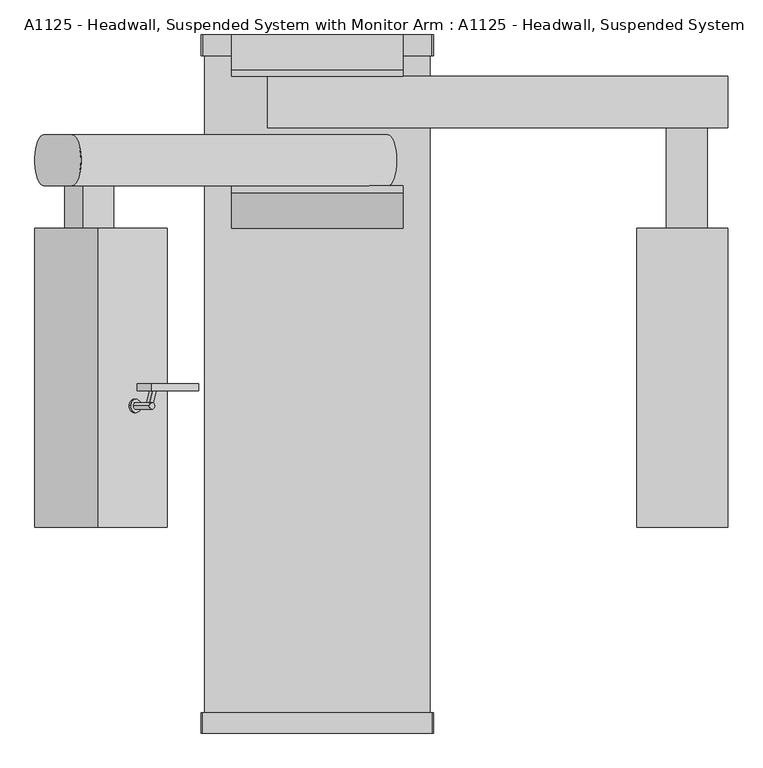
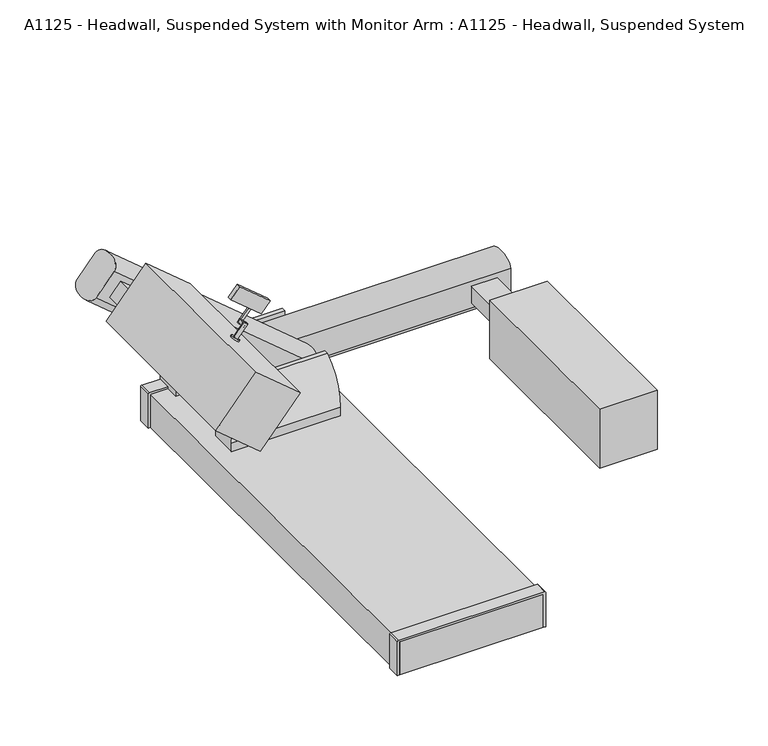
"""IFC4 building model written with IfcOpenShell, lengths in millimetres: proxy geometry, A1125 - Headwall, Suspended System with Monitor Arm : A1125 - Headwall, Suspended System."""

from ifc_helpers import new_model, si_unit, point, frame, frame_2d, origin, origin_with_axes, place, context, project, spatial, polyline, circle_curve, ellipse_curve, trimmed, segment, composite_curve, outline, extrude, source, transform, mapped, element, save
from ifc_brep_helpers import plane_surface, extruded_surface, advanced_brep


def a1125_headwall_suspended_system_with_monitor_arm_a1125_4194afd1(model_context):
    return source(origin(), model_context, "Body", "SolidModel", [
        extrude(outline(polyline([(9.1045184, 0.0), (9.1045184, -231.4296029), (-16.5694699, -231.4296029), (-16.5694699, 0.0), (9.1045184, 0.0)])), frame((-492.6293438, 1278.8304121, 1480.6095941), z_axis=(0.6427876096865366, 0.0, 0.7660444431189803), x_axis=(0.0, -1.0, 0.0)), (0.0, 0.0, 1.0), 80.9134555),
        extrude(outline(composite_curve([segment(trimmed(circle_curve(frame_2d((0.0, -9.5250001)), 9.525), [point((-1e-07, -19.0500001))], [point((0.0, 0.0))], False, "CARTESIAN"), True, "CONTINUOUS"), segment(trimmed(circle_curve(frame_2d((0.0, -9.5250001)), 9.525), [point((0.0, 0.0))], [point((-1e-07, -19.0500001))], False, "CARTESIAN"), True, "CONTINUOUS")], self_intersect=False)), frame((-607.6341552, 1290.0167462, 1450.6158796), z_axis=(0.6427876096865366, 0.0, 0.7660444431189803), x_axis=(0.3945420552795363, -0.8571673007021126, -0.3310600930689978)), (0.0, 0.0, 1.0), 96.9001862),
        extrude(outline(composite_curve([segment(trimmed(circle_curve(frame_2d((0.0, -12.7)), 12.7), [point((0.0, -25.3999999))], [point((0.0, 0.0))], False, "CARTESIAN"), True, "CONTINUOUS"), segment(trimmed(circle_curve(frame_2d((0.0, -12.7)), 12.7), [point((0.0, 0.0))], [point((0.0, -25.3999999))], False, "CARTESIAN"), True, "CONTINUOUS")], self_intersect=False)), frame((-669.5196221, 1213.8549168, 1415.8838672), z_axis=(0.6427876096865367, 0.0, 0.7660444431189803), x_axis=(0.0, -1.0, 0.0)), (0.0, 0.0, 1.0), 101.1354665),
        extrude(outline(composite_curve([segment(trimmed(circle_curve(frame_2d((0.0, -25.4)), 25.4), [point((0.0, -50.7999999))], [point((0.0, 0.0))], False, "CARTESIAN"), True, "CONTINUOUS"), segment(trimmed(circle_curve(frame_2d((0.0, -25.4)), 25.4), [point((0.0, 0.0))], [point((0.0, -50.7999999))], False, "CARTESIAN"), True, "CONTINUOUS")], self_intersect=False)), frame((-660.3989054, 1213.8549168, 1408.2306772), z_axis=(0.6427876096865366, 0.0, 0.7660444431189805), x_axis=(0.0, -1.0, 0.0)), (0.0, 0.0, 1.0), 8.8591428),
        extrude(outline(composite_curve([segment(trimmed(circle_curve(frame_2d((-126.6897163, -17.7746623)), 17.7746623), [point((-126.6897163, -1e-07))], [point((-108.9357996, -16.9161405))], False, "CARTESIAN"), True, "CONTINUOUS"), segment(polyline([(-108.9357996, -16.9161405), (-181.5848758, -16.9161405)]), True, "CONTINUOUS"), segment(trimmed(circle_curve(frame_2d((-181.5848758, 0.8585218)), 17.7746623), [point((-181.5848758, -16.9161405))], [point((-199.3387926, 0.0))], False, "CARTESIAN"), True, "CONTINUOUS"), segment(polyline([(-199.3387926, 0.0), (-126.6897163, -1e-07)]), True, "CONTINUOUS")], self_intersect=False)), frame((-590.7139291, 1400.929278, 1447.0046627), z_axis=(0.6427876096865367, 0.0, 0.7660444431189802), x_axis=(0.23672075137027723, 0.9510565162951489, -0.19863229516678957)), (0.0, 0.0, 1.0), 17.3134589),
        extrude(outline(polyline([(1524.0, 763.5875), (1187.45, 763.5875), (1187.45, 1873.25), (1524.0, 1873.25), (1524.0, 763.5875)])), frame((0.0, 0.0, 247.65), z_axis=(0.0, 0.0, 1.0), x_axis=(1.0, 0.0, 0.0)), (0.0, 0.0, 1.0), 361.95),
        extrude(outline(polyline([(0.0, -336.55), (0.0, 0.0), (1109.6625, 0.0), (1109.6625, -336.55), (0.0, -336.55)])), frame((-1048.8050561, 763.5875, 1261.6499666), z_axis=(0.6427876096865364, 0.0, 0.7660444431189806), x_axis=(0.0, 1.0, 0.0)), (0.0, 0.0, 1.0), 361.95),
        extrude(outline(polyline([(0.0, -152.4), (0.0, 0.0), (157.1625, 0.0), (157.1625, -152.4), (0.0, -152.4)])), frame((-937.3703524, 1873.25, 1275.9065195), z_axis=(0.6427876096865347, 0.0, 0.7660444431189819), x_axis=(0.0, 1.0, 0.0)), (0.0, 0.0, 1.0), 101.6),
        extrude(outline(polyline([(1447.8, 1873.25), (1295.4, 1873.25), (1295.4, 2246.3125), (1447.8, 2246.3125), (1447.8, 1873.25)])), frame((0.0, 0.0, 330.2), z_axis=(0.0, 0.0, 1.0), x_axis=(1.0, 0.0, 0.0)), (0.0, 0.0, 1.0), 101.6),
        advanced_brep(
        [(155.1063605, 2220.9125, 317.7630312), (261.2305949, 2220.9125, 444.2369688), (261.2305949, 2030.4125, 444.2369688), (155.1063605, 2030.4125, 317.7630312), (-1016.1514455, 2220.9125, 1300.5650243), (-1016.1514455, 2030.4125, 1300.5650243), (-910.0272112, 2030.4125, 1427.0389618), (-910.0272112, 2220.9125, 1427.0389618)],
        [
            (0, 1),
            (1, 2, ellipse_curve(frame((261.2305949, 2125.6625, 444.2369688), z_axis=(0.7660444431189891, 0.0, -0.6427876096865263), x_axis=(0.0, -1.0, 0.0)), 95.25, 50.8)),
            (2, 3),
            (3, 0, ellipse_curve(frame((155.1063605, 2125.6625, 317.7630312), z_axis=(0.7660444431189759, 0.0, -0.642787609686542), x_axis=(0.0, -1.0, 0.0)), 95.25, 50.8)),
            (4, 5, ellipse_curve(frame((-1016.1514455, 2125.6625, 1300.5650243), z_axis=(-0.7660444431189759, 0.0, 0.642787609686542), x_axis=(0.0, -1.0, 0.0)), 95.25, 50.8)),
            (5, 6),
            (6, 7, ellipse_curve(frame((-910.0272112, 2125.6625, 1427.0389618), z_axis=(-0.7660444431189891, 0.0, 0.6427876096865263), x_axis=(0.0, -1.0, 0.0)), 95.25, 50.8)),
            (7, 4),
            (0, 4),
            (7, 1),
            (6, 2),
            (5, 3),
        ],
        [
            plane_surface(frame((126.5344513, 2220.9125, 283.7123557), z_axis=(0.7660444431189759, 0.0, -0.642787609686542), x_axis=(0.642787609686542, 0.0, 0.7660444431189759))),
            plane_surface(frame((-1044.7233548, 2220.9125, 1266.5143488), z_axis=(-0.7660444431189759, 0.0, 0.642787609686542), x_axis=(-0.642787609686542, 0.0, -0.7660444431189759))),
            plane_surface(frame((155.1063605, 2220.9125, 317.7630312), z_axis=(0.0, 1.0000000000000002, 0.0), x_axis=(-0.7660444431189759, 0.0, 0.642787609686542))),
            extruded_surface(trimmed(ellipse_curve(frame((-2081.2850172, 2125.6625, 2409.8409549), z_axis=(0.7660444431189891, 0.0, -0.6427876096865263), x_axis=(0.0, -1.0, 0.0)), 95.25, 50.8), [point((-2081.2850172, 2220.9125, 2409.8409549))], [point((-2081.2850172, 2030.4125, 2409.8409549))], True, "CARTESIAN"), (1171.2578059999998, 0.0, -982.8019930999999), 1528.9684776859415),
            plane_surface(frame((261.2305949, 2030.4125, 444.2369688), z_axis=(0.0, -1.0000000000000002, 0.0), x_axis=(-0.7660444431189759, 0.0, 0.642787609686542))),
            extruded_surface(trimmed(ellipse_curve(frame((-2187.4092516, 2125.6625, 2283.3670173), z_axis=(0.7660444431189759, 0.0, -0.642787609686542), x_axis=(0.0, -1.0, 0.0)), 95.25, 50.8), [point((-2187.4092516, 2030.4125, 2283.3670173))], [point((-2187.4092516, 2220.9125, 2283.3670173))], True, "CARTESIAN"), (1171.2578061, 0.0, -982.801993), 1528.9684776982674),
        ],
        [
            (0, [[1, 2, 3, 4]]),
            (1, [[5, 6, 7, 8]]),
            (2, [[-1, 9, -8, 10]]),
            (3, [[-2, -10, -7, 11]]),
            (4, [[-3, -11, -6, 12]]),
            (5, [[-4, -12, -5, -9]]),
        ],
    ),
        advanced_brep(
        [(1524.0, 2436.8125, 298.45), (1524.0, 2436.8125, 463.55), (1524.0, 2246.3125, 463.55), (1524.0, 2246.3125, 298.45), (-185.1096048, 2436.8125, 298.45), (-185.1096048, 2246.3125, 298.45), (-185.1096048, 2246.3125, 463.55), (-185.1096048, 2436.8125, 463.55)],
        [
            (0, 1),
            (1, 2, ellipse_curve(frame((1524.0, 2341.5625, 463.55), z_axis=(1.0, 0.0, 0.0), x_axis=(0.0, -1.0, 0.0)), 95.25, 50.8)),
            (2, 3),
            (3, 0, ellipse_curve(frame((1524.0, 2341.5625, 298.45), z_axis=(1.0, 0.0, 0.0), x_axis=(0.0, -1.0, 0.0)), 95.25, 50.8)),
            (4, 5, ellipse_curve(frame((-185.1096048, 2341.5625, 298.45), z_axis=(-1.0, 0.0, 0.0), x_axis=(0.0, -1.0, 0.0)), 95.25, 50.8)),
            (5, 6),
            (6, 7, ellipse_curve(frame((-185.1096048, 2341.5625, 463.55), z_axis=(-1.0, 0.0, 0.0), x_axis=(0.0, -1.0, 0.0)), 95.25, 50.8)),
            (7, 4),
            (0, 4),
            (7, 1),
            (6, 2),
            (5, 3),
        ],
        [
            plane_surface(frame((1524.0, 2436.8125, 254.0), z_axis=(1.0, 0.0, 0.0), x_axis=(0.0, 0.0, 1.0))),
            plane_surface(frame((-185.1096048, 2436.8125, 254.0), z_axis=(-1.0, 0.0, 0.0), x_axis=(0.0, 0.0, -1.0))),
            plane_surface(frame((1524.0, 2436.8125, 298.45), z_axis=(0.0, 1.0, 0.0), x_axis=(-1.0, 0.0, 0.0))),
            extruded_surface(trimmed(ellipse_curve(frame((-1894.2192096, 2341.5625, 463.55), z_axis=(1.0, 0.0, 0.0), x_axis=(0.0, -1.0, 0.0)), 95.25, 50.8), [point((-1894.2192096, 2436.8125, 463.55))], [point((-1894.2192096, 2246.3125, 463.55))], True, "CARTESIAN"), (1709.1096048000002, 0.0, 0.0), 1709.1096048000002),
            plane_surface(frame((1524.0, 2246.3125, 463.55), z_axis=(0.0, -1.0, 0.0), x_axis=(-1.0, 0.0, 0.0))),
            extruded_surface(trimmed(ellipse_curve(frame((-1894.2192096, 2341.5625, 298.45), z_axis=(1.0, 0.0, 0.0), x_axis=(0.0, -1.0, 0.0)), 95.25, 50.8), [point((-1894.2192096, 2246.3125, 298.45))], [point((-1894.2192096, 2436.8125, 298.45))], True, "CARTESIAN"), (1709.1096048000002, 0.0, 0.0), 1709.1096048000002),
        ],
        [
            (0, [[1, 2, 3, 4]]),
            (1, [[5, 6, 7, 8]]),
            (2, [[-1, 9, -8, 10]]),
            (3, [[-2, -10, -7, 11]]),
            (4, [[-3, -11, -6, 12]]),
            (5, [[-4, -12, -5, -9]]),
        ],
    ),
        extrude(outline(composite_curve([segment(trimmed(circle_curve(frame_2d((2183.9505271, 254.0)), 310.7005271), [point((1873.25, 254.0))], [point((2005.0125, 508.0))], False, "CARTESIAN"), True, "CONTINUOUS"), segment(polyline([(2005.0125, 508.0), (2030.4125, 508.0), (2030.4125, 203.2), (1873.25, 203.2), (1873.25, 254.0)]), True, "CONTINUOUS")], self_intersect=False)), frame((-317.5, 0.0, 0.0), z_axis=(1.0, 0.0, 0.0), x_axis=(0.0, 1.0, 0.0)), (0.0, 0.0, 1.0), 635.0),
        extrude(outline(composite_curve([segment(polyline([(2436.8125, 508.0), (2462.2125, 508.0)]), True, "CONTINUOUS"), segment(trimmed(circle_curve(frame_2d((2275.6420525, 254.0)), 315.1579475), [point((2462.2125, 508.0))], [point((2590.8, 254.0))], False, "CARTESIAN"), True, "CONTINUOUS"), segment(polyline([(2590.8, 254.0), (2590.8, 203.2), (2436.8125, 203.2), (2436.8125, 508.0)]), True, "CONTINUOUS")], self_intersect=False)), frame((-317.5, 0.0, 0.0), z_axis=(1.0, 0.0, 0.0), x_axis=(0.0, 1.0, 0.0)), (0.0, 0.0, 1.0), 635.0),
        extrude(outline(composite_curve([segment(polyline([(0.0, 431.8), (209.55, 431.8)]), True, "CONTINUOUS"), segment(trimmed(circle_curve(frame_2d((209.55, 425.45)), 6.35), [point((209.55, 431.8))], [point((215.9, 425.45))], False, "CARTESIAN"), True, "CONTINUOUS"), segment(polyline([(215.9, 425.45), (215.9, 317.5), (203.2, 317.5), (203.2, 419.1), (0.0, 419.1), (0.0, 431.8)]), True, "CONTINUOUS")], self_intersect=False)), frame((0.0, 2514.6, 0.0), z_axis=(0.0, 1.0, 0.0), x_axis=(0.0, 0.0, 1.0)), (0.0, 0.0, 1.0), 76.2),
        extrude(outline(composite_curve([segment(polyline([(0.0, -431.8), (0.0, -419.1), (203.2, -419.1), (203.2, -317.5), (215.9, -317.5), (215.9, -425.45)]), True, "CONTINUOUS"), segment(trimmed(circle_curve(frame_2d((209.55, -425.45)), 6.35), [point((215.9, -425.45))], [point((209.55, -431.8))], False, "CARTESIAN"), True, "CONTINUOUS"), segment(polyline([(209.55, -431.8), (0.0, -431.8)]), True, "CONTINUOUS")], self_intersect=False)), frame((0.0, 2514.6, 0.0), z_axis=(0.0, 1.0, 0.0), x_axis=(0.0, 0.0, 1.0)), (0.0, 0.0, 1.0), 76.2),
        extrude(outline(composite_curve([segment(polyline([(0.0, 431.8), (209.55, 431.8)]), True, "CONTINUOUS"), segment(trimmed(circle_curve(frame_2d((209.55, 425.45)), 6.35), [point((209.55, 431.8))], [point((215.9, 425.45))], False, "CARTESIAN"), True, "CONTINUOUS"), segment(polyline([(215.9, 425.45), (215.9, -425.45)]), True, "CONTINUOUS"), segment(trimmed(circle_curve(frame_2d((209.55, -425.45)), 6.35), [point((215.9, -425.45))], [point((209.55, -431.8))], False, "CARTESIAN"), True, "CONTINUOUS"), segment(polyline([(209.55, -431.8), (0.0, -431.8), (0.0, -419.1), (203.2, -419.1), (203.2, 419.1), (0.0, 419.1), (0.0, 431.8)]), True, "CONTINUOUS")], self_intersect=False)), frame((0.0, 0.0, 0.0), z_axis=(0.0, 1.0, 0.0), x_axis=(0.0, 0.0, 1.0)), (0.0, 0.0, 1.0), 76.2),
        extrude(outline(polyline([(419.1, 2590.8), (419.1, 0.0), (-419.1, 0.0), (-419.1, 2590.8), (419.1, 2590.8)])), origin_with_axes(), (0.0, 0.0, 1.0), 203.2),
    ])


if __name__ == "__main__":
    model = new_model("IFC4")
    model_context = context("Model", 3, world=origin())
    ifc_project = project(units=[si_unit("LENGTHUNIT", "METRE", prefix="MILLI")], contexts=[model_context])
    site = spatial("IfcSite", under=ifc_project)
    building = spatial("IfcBuilding", under=site)
    placement = place(None, origin())
    a1125_headwall_suspended_system_with_monitor_arm_a1125_shape = a1125_headwall_suspended_system_with_monitor_arm_a1125_4194afd1(model_context)
    element("IfcBuildingElementProxy", 1, Name="A1125 - Headwall, Suspended System with Monitor Arm : A1125 - Headwall, Suspended System", ObjectType="A1125 - Headwall, Suspended System with Monitor Arm : A1125 - Headwall, Suspended System", at=placement, inside=building, context=model_context, shape_type="MappedRepresentation", body=[
        mapped(a1125_headwall_suspended_system_with_monitor_arm_a1125_shape, transform((0.0, 0.0, 0.0), x_axis=(1.0, 0.0, 0.0), y_axis=(0.0, 1.0, 0.0), z_axis=(0.0, 0.0, 1.0))),
    ])
    save(model, "model.ifc")
